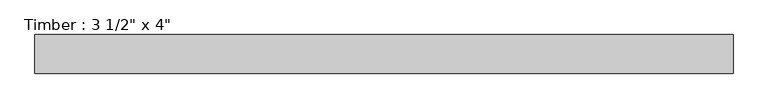
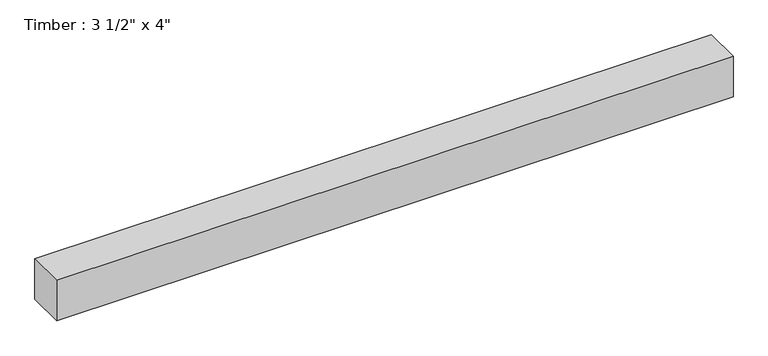
"""IFC4 building model written with IfcOpenShell, lengths in millimetres: beam geometry."""

from ifc_helpers import new_model, si_unit, frame, origin, place, context, project, spatial, polyline, outline, extrude, source, transform, mapped, element, save


def beam_e7c07884(model_context):
    return source(origin(), model_context, "Body", "SweptSolid", [
        extrude(outline(polyline([(802.9353641, -44.45), (-802.9353641, -44.45), (-802.9353641, 44.45), (802.9353641, 44.45), (802.9353641, -44.45)])), frame((0.0, 0.0, -50.8), z_axis=(0.0, 0.0, 1.0), x_axis=(1.0, 0.0, 0.0)), (0.0, 0.0, 1.0), 101.6),
    ])


if __name__ == "__main__":
    model = new_model("IFC4")
    model_context = context("Model", 3, world=origin())
    ifc_project = project(units=[si_unit("LENGTHUNIT", "METRE", prefix="MILLI")], contexts=[model_context])
    site = spatial("IfcSite", under=ifc_project)
    building = spatial("IfcBuilding", under=site)
    placement = place(None, origin())
    beam_shape = beam_e7c07884(model_context)
    element("IfcBeam", 1, ObjectType="Timber : 3 1/2\" x 4\"", at=placement, inside=building, context=model_context, shape_type="MappedRepresentation", body=[
        mapped(beam_shape, transform((0.0, 0.0, 0.0), x_axis=(1.0, 0.0, 0.0), y_axis=(0.0, 1.0, 0.0), z_axis=(0.0, 0.0, 1.0))),
    ])
    save(model, "model.ifc")
